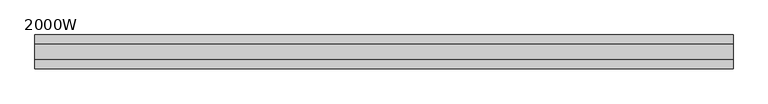
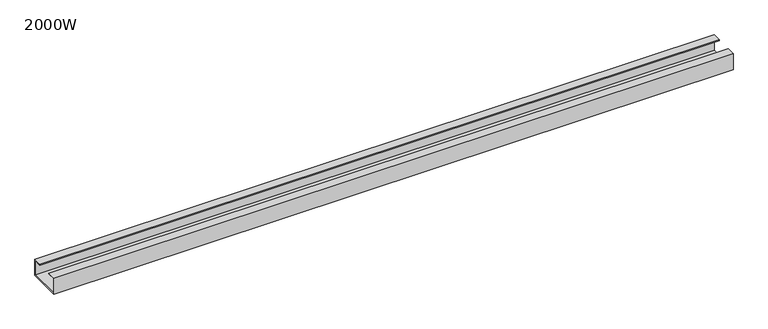
"""IFC4 building model written with IfcOpenShell, lengths in millimetres: furniture geometry, 2000W."""

from ifc_helpers import new_model, si_unit, frame, origin, place, context, project, spatial, polyline, outline, extrude, source, transform, mapped, element, save


def furniture_2000w_a953bc88(model_context):
    return source(origin(), model_context, "Body", "SweptSolid", [
        extrude(outline(polyline([(-47.3, 667.0), (-47.3, 715.0), (-22.0, 715.0), (-22.0, 713.0), (-45.3, 713.0), (-45.3, 669.0), (45.3, 669.0), (45.3, 713.0), (22.0, 713.0), (22.0, 715.0), (47.3, 715.0), (47.3, 667.0), (-47.3, 667.0)])), frame((-975.0, 0.0, 0.0), z_axis=(1.0, 0.0, 0.0), x_axis=(0.0, 1.0, 0.0)), (0.0, 0.0, 1.0), 1950.0),
    ])


if __name__ == "__main__":
    model = new_model("IFC4")
    model_context = context("Model", 3, world=origin())
    ifc_project = project(units=[si_unit("LENGTHUNIT", "METRE", prefix="MILLI")], contexts=[model_context])
    site = spatial("IfcSite", under=ifc_project)
    building = spatial("IfcBuilding", under=site)
    placement = place(None, origin())
    furniture_2000w_shape = furniture_2000w_a953bc88(model_context)
    element("IfcFurniture", 1, ObjectType="2000W", at=placement, inside=building, context=model_context, shape_type="MappedRepresentation", body=[
        mapped(furniture_2000w_shape, transform((0.0, 0.0, 0.0), x_axis=(1.0, 0.0, 0.0), y_axis=(0.0, 1.0, 0.0), z_axis=(0.0, 0.0, 1.0))),
    ])
    save(model, "model.ifc")
